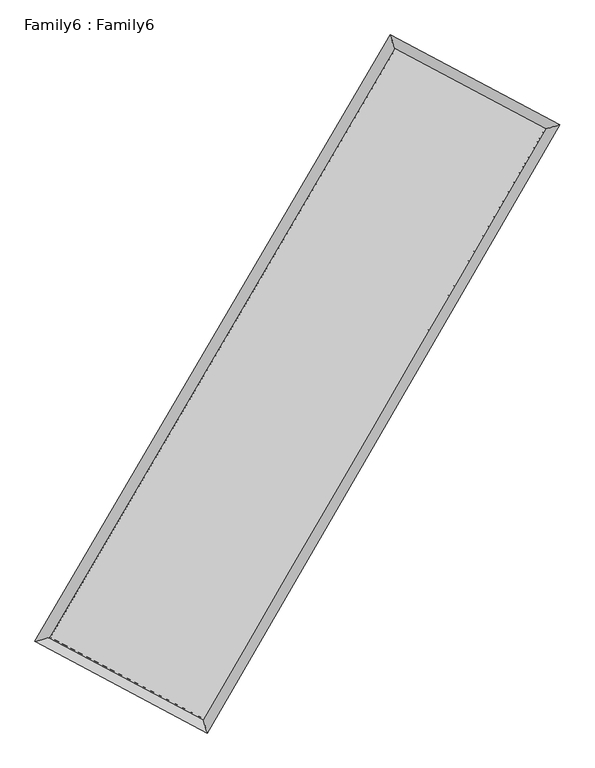
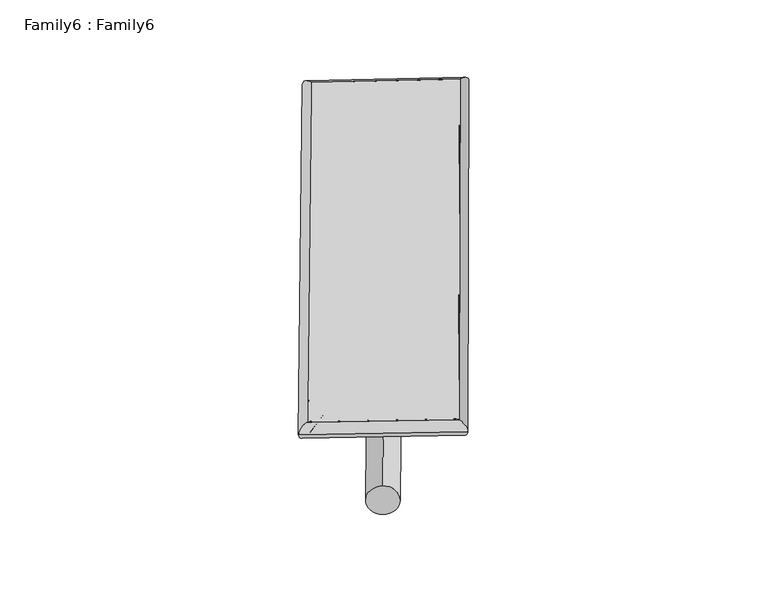
"""IFC4 building model written with IfcOpenShell, lengths in millimetres: plate geometry, Family6 : Family6."""

from ifc_helpers import new_model, si_unit, point, frame, origin, origin_2d, place, context, project, spatial, circle_curve, ellipse_curve, trimmed, segment, composite_curve, outline, extrude, source, transform, mapped, element, save
from ifc_brep_helpers import plane_surface, cylinder_surface, spline_surface, advanced_brep


def family6_family6_a7bf7871(model_context):
    return source(origin(), model_context, "Body", "SolidModel", [
        extrude(outline(composite_curve([segment(trimmed(circle_curve(origin_2d(), 76.2), [point((-75.4341514, -10.7763074))], [point((75.4341514, 10.7763074))], False, "CARTESIAN"), True, "CONTINUOUS"), segment(trimmed(circle_curve(origin_2d(), 76.2), [point((75.4341514, 10.7763074))], [point((-75.4341514, -10.7763074))], False, "CARTESIAN"), True, "CONTINUOUS")], self_intersect=False)), frame((9144.0, 9144.0, 0.0), z_axis=(0.6710659135752585, 0.6899614313622714, 0.2713369913408961), x_axis=(-0.6816766223087318, 0.7181113615618819, -0.14011800381642192)), (0.0, 0.0, 1.0), 5626.9037737),
        extrude(outline(composite_curve([segment(trimmed(circle_curve(origin_2d(), 76.2), [point((-53.8815368, 53.8815367))], [point((53.8815368, -53.8815367))], False, "CARTESIAN"), True, "CONTINUOUS"), segment(trimmed(circle_curve(origin_2d(), 76.2), [point((53.8815368, -53.8815367))], [point((-53.8815368, 53.8815367))], False, "CARTESIAN"), True, "CONTINUOUS")], self_intersect=False)), frame((9144.0, 9144.0, 0.0), z_axis=(-0.6742049625258032, -0.6870162449181647, 0.2710283153549177), x_axis=(0.6399683359188048, -0.36028675177726466, 0.6787002177066864)), (0.0, 0.0, 1.0), 5633.6150498),
        extrude(outline(composite_curve([segment(trimmed(circle_curve(origin_2d(), 76.2), [point((-53.8815367, -53.8815368))], [point((53.8815367, 53.8815368))], False, "CARTESIAN"), True, "CONTINUOUS"), segment(trimmed(circle_curve(origin_2d(), 76.2), [point((53.8815367, 53.8815368))], [point((-53.8815367, -53.8815368))], False, "CARTESIAN"), True, "CONTINUOUS")], self_intersect=False)), frame((9144.0, 9144.0, 0.0), z_axis=(0.2650698558505545, 0.924301778343799, 0.2745982411994969), x_axis=(-0.841855811656367, 0.36069708244753373, -0.40146781576389995)), (0.0, 0.0, 1.0), 5529.1908925),
        extrude(outline(composite_curve([segment(trimmed(circle_curve(origin_2d(), 76.2), [point((-75.4341514, 10.7763073))], [point((75.4341514, -10.7763073))], False, "CARTESIAN"), True, "CONTINUOUS"), segment(trimmed(circle_curve(origin_2d(), 76.2), [point((75.4341514, -10.7763073))], [point((-75.4341514, 10.7763073))], False, "CARTESIAN"), True, "CONTINUOUS")], self_intersect=False)), frame((9144.0, 9144.0, 0.0), z_axis=(-0.2608688485398356, -0.925563387100653, 0.2743717556897342), x_axis=(0.8824654012044693, -0.11339677547334617, 0.45650409306958334)), (0.0, 0.0, 1.0), 5534.5837943),
        advanced_brep(
        [(5133.9973622, 5213.6490639, 1526.2266846), (5133.9949603, 5213.6458783, 1527.6759626), (5557.5801906, 5333.5808224, 1527.511708), (10667.1734468, 14051.4465969, 1519.1995204), (10552.0702188, 14457.8353525, 1517.4126683), (5557.5825926, 5333.584008, 1526.06243), (12708.8877978, 12965.996167, 1526.694267), (13131.1588452, 13086.6969967, 1526.8800141), (7642.0363147, 4224.9409805, 1518.6824814), (7758.3626822, 3817.8427739, 1518.3844639)],
        [
            (0, 1, ellipse_curve(frame((5345.7887764, 5273.6149431, 1526.8691963), z_axis=(-0.2724315462672229, 0.9621737295312383, 0.0016633695914005358), x_axis=(-0.962170219462037, -0.2724352823230083, 0.0027360054749003206)), 220.1217972, 152.4)),
            (1, 2, ellipse_curve(frame((5345.7887764, 5273.6149431, 1526.8691963), z_axis=(-0.2724315462672229, 0.9621737295312383, 0.0016633695914005358), x_axis=(-0.962170219462037, -0.2724352823230083, 0.0027360054749003206)), 220.1217972, 152.4)),
            (2, 3),
            (3, 4, ellipse_curve(frame((10609.6218328, 14254.6409747, 1518.3060943), z_axis=(-0.9621484345856555, -0.27252079089599257, -0.0016758143677479869), x_axis=(0.2725152672400927, -0.9621469817280464, 0.0029350762632697177)), 211.1895133, 152.4)),
            (4, 0),
            (2, 5, ellipse_curve(frame((5345.7887764, 5273.6149431, 1526.8691963), z_axis=(-0.2724315462672229, 0.9621737295312383, 0.0016633695914005358), x_axis=(-0.962170219462037, -0.2724352823230083, 0.0027360054749003206)), 220.1217972, 152.4)),
            (5, 0, ellipse_curve(frame((5345.7887764, 5273.6149431, 1526.8691963), z_axis=(-0.2724315462672229, 0.9621737295312383, 0.0016633695914005358), x_axis=(-0.962170219462037, -0.2724352823230083, 0.0027360054749003206)), 220.1217972, 152.4)),
            (4, 3, ellipse_curve(frame((10609.6218328, 14254.6409747, 1518.3060943), z_axis=(-0.9621484345856555, -0.27252079089599257, -0.0016758143677479869), x_axis=(0.2725152672400927, -0.9621469817280464, 0.0029350762632697177)), 211.1895133, 152.4)),
            (3, 6),
            (6, 7, ellipse_curve(frame((12920.0233215, 13026.3465818, 1526.7871405), z_axis=(-0.2748293608347625, 0.9614913995198776, -0.001763823251627469), x_axis=(-0.9614877634682053, -0.27483346109033274, -0.0028016720038395756)), 219.5920859, 152.4)),
            (7, 4),
            (7, 6, ellipse_curve(frame((12920.0233215, 13026.3465818, 1526.7871405), z_axis=(-0.2748293608347625, 0.9614913995198776, -0.001763823251627469), x_axis=(-0.9614877634682053, -0.27483346109033274, -0.0028016720038395756)), 219.5920859, 152.4)),
            (6, 8),
            (8, 9, ellipse_curve(frame((7700.1994984, 4021.3918772, 1518.5334726), z_axis=(0.9615145143374122, 0.27474936477740014, -0.001620269392909983), x_axis=(-0.2747442325629039, 0.9615132017658743, 0.00282303088155753)), 211.6964872, 152.4)),
            (9, 7),
            (9, 8, ellipse_curve(frame((7700.1994984, 4021.3918772, 1518.5334726), z_axis=(0.9615145143374122, 0.27474936477740014, -0.001620269392909983), x_axis=(-0.2747442325629039, 0.9615132017658743, 0.00282303088155753)), 211.6964872, 152.4)),
            (8, 5),
            (1, 9),
        ],
        [
            cylinder_surface(frame((5345.7887764, 5273.6149431, 1526.8691963), z_axis=(-0.5056545292519503, -0.8627356607874064, 0.000822589026066186), x_axis=(-0.8627269603508513, 0.5056445927148376, -0.005073237824760154)), 152.4),
            cylinder_surface(frame((10609.6218328, 14254.6409747, 1518.3060943), z_axis=(-0.8829695469831916, 0.4694190810272508, -0.003241213943704566), x_axis=(0.46942764670787096, 0.8829666503739809, -0.0027529681550058503)), 152.4),
            cylinder_surface(frame((12920.0233215, 13026.3465818, 1526.7871405), z_axis=(0.5014986536631572, 0.865158061605264, 0.0007929775929257321), x_axis=(0.8651583987420868, -0.5014986536631572, -0.00021321366988867485)), 152.4),
            cylinder_surface(frame((7700.1994984, 4021.3918772, 1518.5334726), z_axis=(0.8828872084529176, -0.4695747078944637, -0.0031258368549720262), x_axis=(-0.469570409898464, -0.8828926803324213, 0.0020359673921005674)), 152.4),
        ],
        [
            (0, [[1, 2, 3, 4, 5]]),
            (0, [[6, 7, -5, 8, -3]]),
            (1, [[-4, 9, 10, 11]]),
            (1, [[-8, -11, 12, -9]]),
            (2, [[-10, 13, 14, 15]]),
            (2, [[-12, -15, 16, -13]]),
            (3, [[-14, 17, -6, -2, 18]]),
            (3, [[-16, -18, -1, -7, -17]]),
        ],
    ),
        extrude(outline(composite_curve([segment(trimmed(circle_curve(origin_2d(), 304.8), [point((0.0, -304.8))], [point((0.0, 304.8))], False, "CARTESIAN"), True, "CONTINUOUS"), segment(trimmed(circle_curve(origin_2d(), 304.8), [point((0.0, 304.8))], [point((0.0, -304.8))], False, "CARTESIAN"), True, "CONTINUOUS")], self_intersect=False)), frame((6506.2076771, 4626.077126, -0.0004959), z_axis=(0.5042043284729029, 0.8635843879721194, 9.479132596278899e-08), x_axis=(-0.8635843879721242, 0.5042043284729029, 2.5646381865289107e-08)), (0.0, 0.0, 1.0), 10463.1879338),
        advanced_brep(
        [(5345.7887764, 5273.6149431, 1526.8691963), (7700.1994984, 4021.3918772, 1518.5334726), (7700.200915, 4021.3936702, 1670.9334726), (5345.790193, 5273.6167362, 1679.2691963), (12920.0233215, 13026.3465818, 1526.7871405), (12920.0247381, 13026.3483749, 1679.1871405), (10609.6218328, 14254.6409747, 1518.3060943), (10609.6232494, 14254.6427677, 1670.7060943)],
        [
            (0, 1),
            (1, 2),
            (2, 3),
            (3, 0),
            (1, 4),
            (4, 5),
            (5, 2),
            (4, 6),
            (6, 7),
            (7, 5),
            (6, 0),
            (3, 7),
        ],
        [
            plane_surface(frame((6522.9941374, 4647.5034102, 1522.7013345), z_axis=(-0.46957696122036086, -0.8828915433242192, 1.4752309891291051e-05), x_axis=(0.8828872084529176, -0.46957470789446354, -0.0031258368549720275))),
            plane_surface(frame((10310.11141, 8523.8692295, 1522.6603066), z_axis=(0.8651583344665233, -0.5014988098675068, -2.141424813716477e-06), x_axis=(0.5014986536631573, 0.865158061605264, 0.0007929775929257324))),
            plane_surface(frame((11764.8225772, 13640.4937783, 1522.5466174), z_axis=(0.46942158894775626, 0.882974162482769, -1.475183773985483e-05), x_axis=(-0.8829695469831915, 0.46941908102725105, -0.003241213943704566))),
            plane_surface(frame((7977.7053046, 9764.1279589, 1522.5876453), z_axis=(-0.8627359518109018, 0.5056547017962482, 2.0700129265153935e-06), x_axis=(-0.5056545292519506, -0.8627356607874063, 0.000822589026066186))),
            spline_surface(1, 1, [[(7700.200915, 4021.3936702, 1670.9334726), (5345.790193, 5273.6167362, 1679.2691963)], [(12920.0247381, 13026.3483749, 1679.1871405), (10609.6232494, 14254.6427677, 1670.7060943)]], [2, 2], [2, 2], [0.0, 1.0], [0.0, 1.0]),
            spline_surface(1, 1, [[(10609.6218328, 14254.6409747, 1518.3060943), (5345.7887764, 5273.6149431, 1526.8691963)], [(12920.0233215, 13026.3465818, 1526.7871405), (7700.1994984, 4021.3918772, 1518.5334726)]], [2, 2], [2, 2], [0.0, 1.0], [0.0, 1.0]),
        ],
        [
            (0, [[1, 2, 3, 4]]),
            (1, [[5, 6, 7, -2]]),
            (2, [[8, 9, 10, -6]]),
            (3, [[11, -4, 12, -9]]),
            (4, [[-3, -7, -10, -12]]),
            (5, [[-11, -8, -5, -1]]),
        ],
    ),
    ])


if __name__ == "__main__":
    model = new_model("IFC4")
    model_context = context("Model", 3, world=origin())
    ifc_project = project(units=[si_unit("LENGTHUNIT", "METRE", prefix="MILLI")], contexts=[model_context])
    site = spatial("IfcSite", under=ifc_project)
    building = spatial("IfcBuilding", under=site)
    placement = place(None, origin())
    family6_family6_shape = family6_family6_a7bf7871(model_context)
    element("IfcPlate", 1, ObjectType="Family6 : Family6", at=placement, inside=building, context=model_context, shape_type="MappedRepresentation", body=[
        mapped(family6_family6_shape, transform((0.0, 0.0, 0.0), x_axis=(1.0, 0.0, 0.0), y_axis=(0.0, 1.0, 0.0), z_axis=(0.0, 0.0, 1.0))),
    ])
    save(model, "model.ifc")
